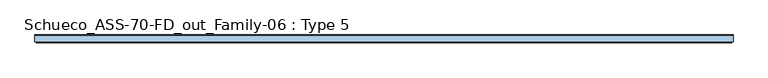
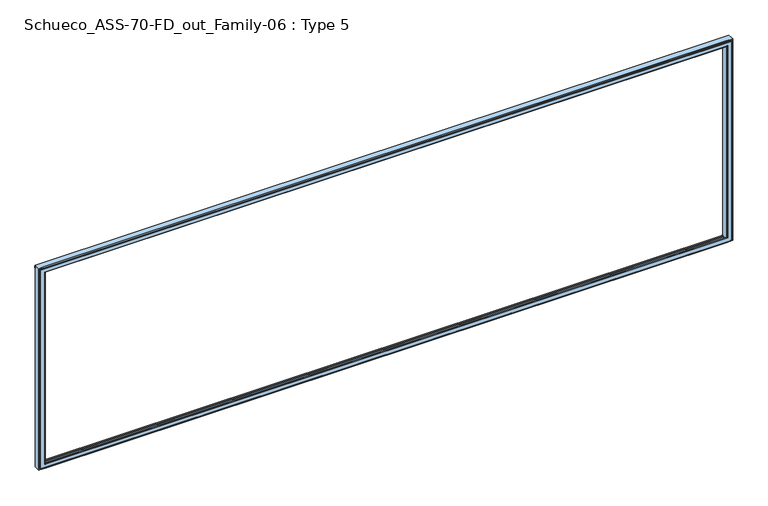
"""IFC4 building model written with IfcOpenShell, lengths in millimetres: window geometry, Schueco_ASS-70-FD_out_Family-06 : Type 5."""

from ifc_helpers import new_model, si_unit, frame, origin, place, context, project, spatial, polyline, ellipse_curve, outline, extrude, source, transform, mapped, element, save
from ifc_brep_helpers import plane_surface, cylinder_surface, advanced_brep


def schueco_ass_70_fd_out_family_06_type_5_b01961cc(model_context):
    return source(origin(), model_context, "Body", "SolidModel", [
        advanced_brep(
        [(3877.999939, -70.0, 12.000061), (3877.999939, -75.4999847, 12.000061), (-3877.999939, -75.4999847, 12.000061), (-3877.999939, -70.0, 12.000061), (-3865.9997864, -70.0, 12.000061), (-3818.8, -70.0, 12.000061), (3818.8, -70.0, 12.000061), (3865.9997864, -70.0, 12.000061), (3877.999939, -70.0, 2377.999939), (3877.999939, -75.4999847, 2377.999939), (3890.0, -70.0, 0.0), (3890.0, -70.0, 2390.0), (3865.9997864, -70.0, 2390.0), (3818.8, -70.0, 2390.0), (-3818.8, -70.0, 2390.0), (-3865.9997864, -70.0, 2390.0), (-3890.0, -70.0, 2390.0), (-3890.0, -70.0, 0.0), (-3865.9997864, -70.0, 0.0), (-3818.8, -70.0, 0.0), (3818.8, -70.0, 0.0), (3865.9997864, -70.0, 0.0), (-3877.999939, -70.0, 2377.999939), (-3865.9997864, -70.0, 2377.999939), (-3818.8, -70.0, 2377.999939), (3818.8, -70.0, 2377.999939), (3865.9997864, -70.0, 2377.999939), (3873.499939, -79.9999847, 2373.499939), (3873.499939, -79.9999847, 16.500061), (-3873.499939, -79.9999847, 2373.499939), (-3873.499939, -79.9999847, 16.500061), (3832.5000916, -79.9999847, 2332.5000916), (3832.5000916, -79.9999847, 57.4999084), (-3832.5000916, -79.9999847, 57.4999084), (-3832.5000916, -79.9999847, 2332.5000916), (3830.0000916, -77.4999847, 59.9999084), (-3830.0000916, -77.4999847, 59.9999084), (3830.0000916, -77.4999847, 2330.0000916), (3830.0000916, -70.0, 2330.0000916), (3830.0000916, -70.0, 59.9999084), (3818.8, -70.0, 2330.0000916), (3818.8, -70.0, 59.9999084), (-3818.8, -70.0, 59.9999084), (-3830.0000916, -70.0, 59.9999084), (3845.0, -3.5, 45.0), (3845.0, 0.0, 45.0), (3840.0003662, 0.0, 45.0), (3840.0003662, -3.5, 45.0), (-3818.8, 0.0, 45.0), (-3818.8, -3.5, 45.0), (3818.8, -3.5, 45.0), (3818.8, 0.0, 45.0), (-3845.0, 0.0, 45.0), (-3845.0, -3.5, 45.0), (-3840.0003662, -3.5000916, 45.0), (-3840.0003662, 0.0, 45.0), (3845.0, -3.5000916, 2345.0), (3845.0, 0.0, 2345.0), (3840.0003662, -3.5000916, 2345.0), (3890.0, 0.0, 2390.0), (3890.0, 0.0, 0.0), (-3890.0, 0.0, 0.0), (-3890.0, 0.0, 2390.0), (3818.8, 0.0, 2345.0), (-3818.8, 0.0, 2345.0), (3840.0003662, 0.0, 2345.0), (-3845.0, 0.0, 2345.0), (-3840.0003662, 0.0, 2345.0), (-3877.999939, -75.4999847, 2377.999939), (-3830.0000916, -77.4999847, 2330.0000916), (-3830.0000916, -70.0, 2330.0000916), (-3818.8, -70.0, 2330.0000916), (-3845.0, -3.5, 2345.0), (-3840.0003662, -3.5000916, 2345.0), (-3818.8, -70.0, 24.0002136), (3818.8, -70.0, 24.0002136), (-3818.8, -70.0, 2365.9997864), (3818.8, -70.0, 2365.9997864), (-3818.8, -55.8498688, 24.0002136), (-3818.8, -55.8498688, 40.999939), (-3818.8, -46.2499161, 40.999939), (-3818.8, -46.2499161, 24.0002136), (-3818.8, -23.75, 24.0002136), (-3818.8, -23.75, 40.999939), (-3818.8, -14.1500244, 40.999939), (-3818.8, -14.1500244, 24.0002136), (-3818.8, -3.5, 24.0002136), (-3818.8, -3.5, 2345.0), (-3818.8, -3.5, 2365.9997864), (-3818.8, -14.1500244, 2365.9997864), (-3818.8, -14.1500244, 2349.000061), (-3818.8, -23.75, 2349.000061), (-3818.8, -23.75, 2365.9997864), (-3818.8, -46.2499161, 2365.9997864), (-3818.8, -46.2499161, 2349.000061), (-3818.8, -55.8498688, 2349.000061), (-3818.8, -55.8498688, 2365.9997864), (3818.8, -55.8498688, 2365.9997864), (3818.8, -55.8498688, 2349.000061), (3818.8, -46.2499161, 2349.000061), (3818.8, -46.2499161, 2365.9997864), (3818.8, -23.75, 2365.9997864), (3818.8, -23.75, 2349.000061), (3818.8, -14.1500244, 2349.000061), (3818.8, -14.1500244, 2365.9997864), (3818.8, -3.5, 2365.9997864), (3818.8, -3.5, 2345.0), (3818.8, -3.5, 24.0002136), (3818.8, -14.1500244, 24.0002136), (3818.8, -14.1500244, 40.999939), (3818.8, -23.75, 40.999939), (3818.8, -23.75, 24.0002136), (3818.8, -46.2499161, 24.0002136), (3818.8, -46.2499161, 40.999939), (3818.8, -55.8498688, 40.999939), (3818.8, -55.8498688, 24.0002136)],
        [
            (0, 1),
            (1, 2),
            (2, 3),
            (3, 4),
            (4, 5),
            (5, 6),
            (6, 7),
            (7, 0),
            (0, 8),
            (8, 9),
            (9, 1),
            (10, 11),
            (11, 12),
            (12, 13),
            (13, 14),
            (14, 15),
            (15, 16),
            (16, 17),
            (17, 18),
            (18, 19),
            (19, 20),
            (20, 21),
            (21, 10),
            (3, 22),
            (22, 23),
            (23, 24),
            (24, 25),
            (25, 26),
            (26, 8),
            (9, 27, ellipse_curve(frame((3873.499939, -75.4999847, 2373.499939), z_axis=(0.7071067811865451, 0.0, -0.7071067811865498), x_axis=(-0.7071067811865497, 0.0, -0.7071067811865452)), 6.363961, 4.5)),
            (27, 28),
            (28, 1, ellipse_curve(frame((3873.499939, -75.4999847, 16.500061), z_axis=(0.7071067811865498, 0.0, 0.7071067811865451), x_axis=(0.7071067811865451, 0.0, -0.70710678118655)), 6.363961, 4.5)),
            (27, 29),
            (29, 30),
            (30, 28),
            (31, 32),
            (32, 33),
            (33, 34),
            (34, 31),
            (30, 2, ellipse_curve(frame((-3873.499939, -75.4999847, 16.500061), z_axis=(0.7071067811865451, 0.0, -0.7071067811865498), x_axis=(-0.70710678118655, 0.0, -0.7071067811865451)), 6.363961, 4.5)),
            (32, 35, ellipse_curve(frame((3832.5000916, -77.4999847, 57.4999084), z_axis=(-0.7071067811865498, 0.0, -0.7071067811865451), x_axis=(-0.7071067811865452, 0.0, 0.7071067811865497)), 3.5355339, 2.5)),
            (35, 36),
            (36, 33, ellipse_curve(frame((-3832.5000916, -77.4999847, 57.4999084), z_axis=(0.7071067811865451, 0.0, -0.7071067811865498), x_axis=(-0.70710678118655, 0.0, -0.7071067811865451)), 3.5355339, 2.5)),
            (31, 37, ellipse_curve(frame((3832.5000916, -77.4999847, 2332.5000916), z_axis=(0.7071067811865451, 0.0, -0.7071067811865498), x_axis=(-0.7071067811865497, 0.0, -0.7071067811865452)), 3.5355339, 2.5)),
            (37, 35),
            (37, 38),
            (38, 39),
            (39, 35),
            (40, 41),
            (41, 39),
            (38, 40),
            (41, 42),
            (42, 43),
            (43, 36),
            (44, 45),
            (45, 46),
            (46, 47),
            (47, 44),
            (48, 49),
            (49, 50),
            (50, 51),
            (51, 48),
            (52, 53),
            (53, 54),
            (54, 55),
            (55, 52),
            (44, 56),
            (56, 57),
            (57, 45),
            (47, 58),
            (58, 56),
            (59, 60),
            (60, 61),
            (61, 62),
            (62, 59),
            (51, 63),
            (63, 64),
            (64, 48),
            (57, 65),
            (65, 46),
            (66, 52),
            (55, 67),
            (67, 66),
            (60, 10),
            (17, 61),
            (59, 11),
            (68, 22),
            (2, 68),
            (29, 68, ellipse_curve(frame((-3873.499939, -75.4999847, 2373.499939), z_axis=(-0.7071067811865498, 0.0, -0.7071067811865451), x_axis=(-0.7071067811865451, 0.0, 0.70710678118655)), 6.363961, 4.5)),
            (69, 34, ellipse_curve(frame((-3832.5000916, -77.4999847, 2332.5000916), z_axis=(-0.7071067811865498, 0.0, -0.7071067811865451), x_axis=(-0.7071067811865451, 0.0, 0.70710678118655)), 3.5355339, 2.5)),
            (36, 69),
            (70, 69),
            (43, 70),
            (42, 71),
            (71, 70),
            (66, 72),
            (72, 53),
            (73, 54),
            (72, 73),
            (16, 62),
            (74, 42),
            (41, 75),
            (75, 74),
            (71, 76),
            (76, 77),
            (77, 40),
            (40, 71),
            (74, 78),
            (78, 79),
            (79, 80),
            (80, 81),
            (81, 82),
            (82, 83),
            (83, 84),
            (84, 85),
            (85, 86),
            (86, 49),
            (64, 87),
            (87, 88),
            (88, 89),
            (89, 90),
            (90, 91),
            (91, 92),
            (92, 93),
            (93, 94),
            (94, 95),
            (95, 96),
            (96, 76),
            (77, 97),
            (97, 98),
            (98, 99),
            (99, 100),
            (100, 101),
            (101, 102),
            (102, 103),
            (103, 104),
            (104, 105),
            (105, 106),
            (106, 63),
            (50, 107),
            (107, 108),
            (108, 109),
            (109, 110),
            (110, 111),
            (111, 112),
            (112, 113),
            (113, 114),
            (114, 115),
            (115, 75),
            (115, 78),
            (114, 79),
            (95, 98),
            (97, 96),
            (113, 80),
            (112, 81),
            (93, 100),
            (99, 94),
            (111, 82),
            (110, 83),
            (91, 102),
            (101, 92),
            (109, 84),
            (108, 85),
            (89, 104),
            (103, 90),
            (107, 86),
            (87, 106),
            (105, 88),
            (65, 58),
            (73, 67),
            (68, 9),
            (69, 37),
        ],
        [
            plane_surface(frame((-3877.999939, -70.0, 12.000061), z_axis=(0.0, 0.0, -1.0), x_axis=(1.0, 0.0, 0.0))),
            plane_surface(frame((3877.999939, -70.0, 12.000061), z_axis=(1.0, 0.0, 0.0), x_axis=(0.0, 0.0, 1.0))),
            plane_surface(frame((-3890.0, -70.0, 0.0), z_axis=(0.0, -1.0, 0.0), x_axis=(1.0, 0.0, 0.0))),
            cylinder_surface(frame((3873.499939, -75.4999847, 0.0), z_axis=(0.0, 0.0, -1.0), x_axis=(-1.0, 0.0, 0.0)), 4.5),
            plane_surface(frame((-3873.499939, -79.9999847, 16.500061), z_axis=(0.0, -1.0, 0.0), x_axis=(1.0, 0.0, 0.0))),
            cylinder_surface(frame((-3890.0, -75.4999847, 16.500061), z_axis=(-1.0, 0.0, 0.0), x_axis=(0.0, 0.0, 1.0)), 4.5),
            cylinder_surface(frame((-3890.0, -77.4999847, 57.4999084), z_axis=(-1.0, 0.0, 0.0), x_axis=(0.0, 0.0, 1.0)), 2.5),
            cylinder_surface(frame((3832.5000916, -77.4999847, 0.0), z_axis=(0.0, 0.0, -1.0), x_axis=(-1.0, 0.0, 0.0)), 2.5),
            plane_surface(frame((3830.0000916, -77.4999847, 59.9999084), z_axis=(-1.0, 0.0, 0.0), x_axis=(0.0, 0.0, 1.0))),
            plane_surface(frame((3818.8, -70.0, 2390.0), z_axis=(0.0, -1.0, 0.0), x_axis=(0.0, 0.0, -1.0))),
            plane_surface(frame((-3830.0000916, -77.4999847, 59.9999084), z_axis=(0.0, 0.0, 1.0), x_axis=(1.0, 0.0, 0.0))),
            plane_surface(frame((-3845.0, -3.5, 45.0), z_axis=(0.0, 0.0, 1.0), x_axis=(1.0, 0.0, 0.0))),
            plane_surface(frame((3845.0, -3.5, 45.0), z_axis=(-1.0, 0.0, 0.0), x_axis=(0.0, 0.0, 1.0))),
            plane_surface(frame((3865.9997864, -3.5000916, 2390.0), z_axis=(0.0, 1.0, 0.0), x_axis=(0.0, 0.0, -1.0))),
            plane_surface(frame((-3845.0, 0.0, 45.0), z_axis=(0.0, 1.0, 0.0), x_axis=(1.0, 0.0, 0.0))),
            plane_surface(frame((-3890.0, 0.0, 0.0), z_axis=(0.0, 0.0, -1.0), x_axis=(1.0, 0.0, 0.0))),
            plane_surface(frame((3890.0, 0.0, 0.0), z_axis=(1.0, 0.0, 0.0), x_axis=(0.0, 0.0, 1.0))),
            plane_surface(frame((-3877.999939, -70.0, 2377.999939), z_axis=(-1.0, 0.0, 0.0), x_axis=(0.0, 0.0, -1.0))),
            cylinder_surface(frame((-3873.499939, -75.4999847, 2390.0), z_axis=(0.0, 0.0, 1.0), x_axis=(1.0, 0.0, 0.0)), 4.5),
            cylinder_surface(frame((-3832.5000916, -77.4999847, 2390.0), z_axis=(0.0, 0.0, 1.0), x_axis=(1.0, 0.0, 0.0)), 2.5),
            plane_surface(frame((-3830.0000916, -77.4999847, 2330.0000916), z_axis=(1.0, 0.0, 0.0), x_axis=(0.0, 0.0, -1.0))),
            plane_surface(frame((-3865.9997864, -70.0, 2390.0), z_axis=(0.0, -1.0, 0.0), x_axis=(0.0, 0.0, -1.0))),
            plane_surface(frame((-3845.0, -3.5, 2345.0), z_axis=(1.0, 0.0, 0.0), x_axis=(0.0, 0.0, -1.0))),
            plane_surface(frame((-3840.0003662, -3.5000916, 2390.0), z_axis=(0.0, 1.0, 0.0), x_axis=(0.0, 0.0, -1.0))),
            plane_surface(frame((-3890.0, 0.0, 2390.0), z_axis=(-1.0, 0.0, 0.0), x_axis=(0.0, 0.0, -1.0))),
            plane_surface(frame((-3830.0000916, -70.0, 59.9999084), z_axis=(0.0, 1.0, 0.0), x_axis=(1.0, 0.0, 0.0))),
            plane_surface(frame((-3818.8, -70.0, 2390.0), z_axis=(1.0, 0.0, 0.0), x_axis=(0.0, 0.0, -1.0))),
            plane_surface(frame((3818.8, 0.0, 2390.0), z_axis=(-1.0, 0.0, 0.0), x_axis=(0.0, 0.0, -1.0))),
            plane_surface(frame((-3865.9997864, -70.0, 24.0002136), z_axis=(0.0, 0.0, 1.0), x_axis=(1.0, 0.0, 0.0))),
            plane_surface(frame((-3865.9997864, -55.8498688, 24.0002136), z_axis=(0.0, -1.0, 0.0), x_axis=(1.0, 0.0, 0.0))),
            plane_surface(frame((-3849.000061, -55.8498688, 40.999939), z_axis=(0.0, 0.0, 1.0), x_axis=(1.0, 0.0, 0.0))),
            plane_surface(frame((-3849.000061, -46.2499161, 40.999939), z_axis=(0.0, 1.0, 0.0), x_axis=(1.0, 0.0, 0.0))),
            plane_surface(frame((-3865.9997864, -46.2499161, 24.0002136), z_axis=(0.0, 0.0, 1.0), x_axis=(1.0, 0.0, 0.0))),
            plane_surface(frame((-3865.9997864, -23.75, 24.0002136), z_axis=(0.0, -1.0, 0.0), x_axis=(1.0, 0.0, 0.0))),
            plane_surface(frame((-3849.000061, -23.75, 40.999939), z_axis=(0.0, 0.0, 1.0), x_axis=(1.0, 0.0, 0.0))),
            plane_surface(frame((-3849.000061, -14.1500244, 40.999939), z_axis=(0.0, 1.0, 0.0), x_axis=(1.0, 0.0, 0.0))),
            plane_surface(frame((-3865.9997864, -14.1500244, 24.0002136), z_axis=(0.0, 0.0, 1.0), x_axis=(1.0, 0.0, 0.0))),
            plane_surface(frame((-3865.9997864, -3.5, 24.0002136), z_axis=(0.0, -1.0, 0.0), x_axis=(1.0, 0.0, 0.0))),
            plane_surface(frame((3840.0003662, -3.5000916, 2390.0), z_axis=(1.0, 0.0, 0.0), x_axis=(0.0, 0.0, -1.0))),
            plane_surface(frame((-3840.0003662, 0.0, 2390.0), z_axis=(-1.0, 0.0, 0.0), x_axis=(0.0, 0.0, -1.0))),
            plane_surface(frame((3877.999939, -70.0, 2377.999939), z_axis=(0.0, 0.0, 1.0), x_axis=(-1.0, 0.0, 0.0))),
            cylinder_surface(frame((3890.0, -75.4999847, 2373.499939), z_axis=(1.0, 0.0, 0.0), x_axis=(0.0, 0.0, -1.0)), 4.5),
            cylinder_surface(frame((3890.0, -77.4999847, 2332.5000916), z_axis=(1.0, 0.0, 0.0), x_axis=(0.0, 0.0, -1.0)), 2.5),
            plane_surface(frame((3830.0000916, -77.4999847, 2330.0000916), z_axis=(0.0, 0.0, -1.0), x_axis=(-1.0, 0.0, 0.0))),
            plane_surface(frame((3845.0, -3.5, 2345.0), z_axis=(0.0, 0.0, -1.0), x_axis=(-1.0, 0.0, 0.0))),
            plane_surface(frame((3890.0, 0.0, 2390.0), z_axis=(0.0, 0.0, 1.0), x_axis=(-1.0, 0.0, 0.0))),
            plane_surface(frame((3865.9997864, -70.0, 2365.9997864), z_axis=(0.0, 0.0, -1.0), x_axis=(-1.0, 0.0, 0.0))),
            plane_surface(frame((3849.000061, -55.8498688, 2349.000061), z_axis=(0.0, 0.0, -1.0), x_axis=(-1.0, 0.0, 0.0))),
            plane_surface(frame((3865.9997864, -46.2499161, 2365.9997864), z_axis=(0.0, 0.0, -1.0), x_axis=(-1.0, 0.0, 0.0))),
            plane_surface(frame((3849.000061, -23.75, 2349.000061), z_axis=(0.0, 0.0, -1.0), x_axis=(-1.0, 0.0, 0.0))),
            plane_surface(frame((3865.9997864, -14.1500244, 2365.9997864), z_axis=(0.0, 0.0, -1.0), x_axis=(-1.0, 0.0, 0.0))),
        ],
        [
            (0, [[1, 2, 3, 4, 5, 6, 7, 8]]),
            (1, [[-1, 9, 10, 11]]),
            (2, [[12, 13, 14, 15, 16, 17, 18, 19, 20, 21, 22, 23], [-9, -8, -7, -6, -5, -4, 24, 25, 26, 27, 28, 29]]),
            (3, [[-11, 30, 31, 32]]),
            (4, [[-31, 33, 34, 35], [36, 37, 38, 39]]),
            (5, [[-32, -35, 40, -2]]),
            (6, [[41, 42, 43, -37]]),
            (7, [[-41, -36, 44, 45]]),
            (8, [[-45, 46, 47, 48]]),
            (9, [[49, 50, -47, 51]]),
            (10, [[-48, -50, 52, 53, 54, -42]]),
            (11, [[55, 56, 57, 58]]),
            (11, [[59, 60, 61, 62]]),
            (11, [[63, 64, 65, 66]]),
            (12, [[-55, 67, 68, 69]]),
            (13, [[70, 71, -67, -58]]),
            (14, [[72, 73, 74, 75], [-62, 76, 77, 78], [-69, 79, 80, -56], [81, -66, 82, 83]]),
            (15, [[-73, 84, -23, -22, -21, -20, -19, 85]]),
            (16, [[-84, -72, 86, -12]]),
            (17, [[87, -24, -3, 88]]),
            (18, [[89, -88, -40, -34]]),
            (19, [[90, -38, -43, 91]]),
            (20, [[92, -91, -54, 93]]),
            (21, [[94, 95, -93, -53]]),
            (22, [[96, 97, -63, -81]]),
            (23, [[98, -64, -97, 99]]),
            (24, [[100, -74, -85, -18]]),
            (25, [[101, -52, 102, 103]]),
            (25, [[104, 105, 106, 107]]),
            (26, [[-94, -101, 108, 109, 110, 111, 112, 113, 114, 115, 116, 117, -59, -78, 118, 119, 120, 121, 122, 123, 124, 125, 126, 127, 128, -104]]),
            (27, [[-49, -106, 129, 130, 131, 132, 133, 134, 135, 136, 137, 138, 139, -76, -61, 140, 141, 142, 143, 144, 145, 146, 147, 148, 149, -102]]),
            (28, [[-108, -103, -149, 150]]),
            (29, [[-109, -150, -148, 151]]),
            (29, [[-127, 152, -130, 153]]),
            (30, [[-110, -151, -147, 154]]),
            (31, [[-111, -154, -146, 155]]),
            (31, [[-125, 156, -132, 157]]),
            (32, [[-112, -155, -145, 158]]),
            (33, [[-113, -158, -144, 159]]),
            (33, [[-123, 160, -134, 161]]),
            (34, [[-114, -159, -143, 162]]),
            (35, [[-115, -162, -142, 163]]),
            (35, [[-121, 164, -136, 165]]),
            (36, [[-116, -163, -141, 166]]),
            (37, [[-117, -166, -140, -60]]),
            (37, [[-119, 167, -138, 168]]),
            (38, [[-70, -57, -80, 169]]),
            (39, [[-98, 170, -82, -65]]),
            (40, [[-10, -29, -28, -27, -26, -25, -87, 171]]),
            (41, [[-30, -171, -89, -33]]),
            (42, [[-44, -39, -90, 172]]),
            (43, [[-46, -172, -92, -95, -107, -51]]),
            (44, [[-68, -71, -169, -79]]),
            (44, [[-96, -83, -170, -99]]),
            (44, [[-118, -77, -139, -167]]),
            (45, [[-86, -75, -100, -17, -16, -15, -14, -13]]),
            (46, [[-128, -153, -129, -105]]),
            (47, [[-126, -157, -131, -152]]),
            (48, [[-124, -161, -133, -156]]),
            (49, [[-122, -165, -135, -160]]),
            (50, [[-120, -168, -137, -164]]),
        ],
    ),
        extrude(outline(polyline([(7.7224991, 2377.8134468), (7.7224991, 2353.0010125), (0.0, 2353.0010125), (0.0, 2382.2763596), (7.7224991, 2377.8134468)])), frame((-3890.0, 0.0, 0.0), z_axis=(1.0, 0.0, 0.0), x_axis=(0.0, 1.0, 0.0)), (0.0, 0.0, 1.0), 7780.0),
    ])


if __name__ == "__main__":
    model = new_model("IFC4")
    model_context = context("Model", 3, world=origin())
    ifc_project = project(units=[si_unit("LENGTHUNIT", "METRE", prefix="MILLI")], contexts=[model_context])
    site = spatial("IfcSite", under=ifc_project)
    building = spatial("IfcBuilding", under=site)
    placement = place(None, origin())
    schueco_ass_70_fd_out_family_06_type_5_shape = schueco_ass_70_fd_out_family_06_type_5_b01961cc(model_context)
    element("IfcWindow", 1, ObjectType="Schueco_ASS-70-FD_out_Family-06 : Type 5", at=placement, inside=building, context=model_context, shape_type="MappedRepresentation", body=[
        mapped(schueco_ass_70_fd_out_family_06_type_5_shape, transform((0.0, 0.0, 0.0), x_axis=(1.0, 0.0, 0.0), y_axis=(0.0, 1.0, 0.0), z_axis=(0.0, 0.0, 1.0))),
    ])
    save(model, "model.ifc")
